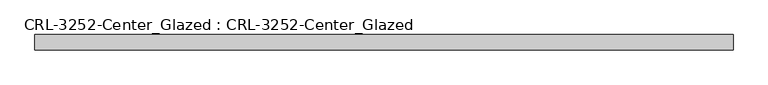
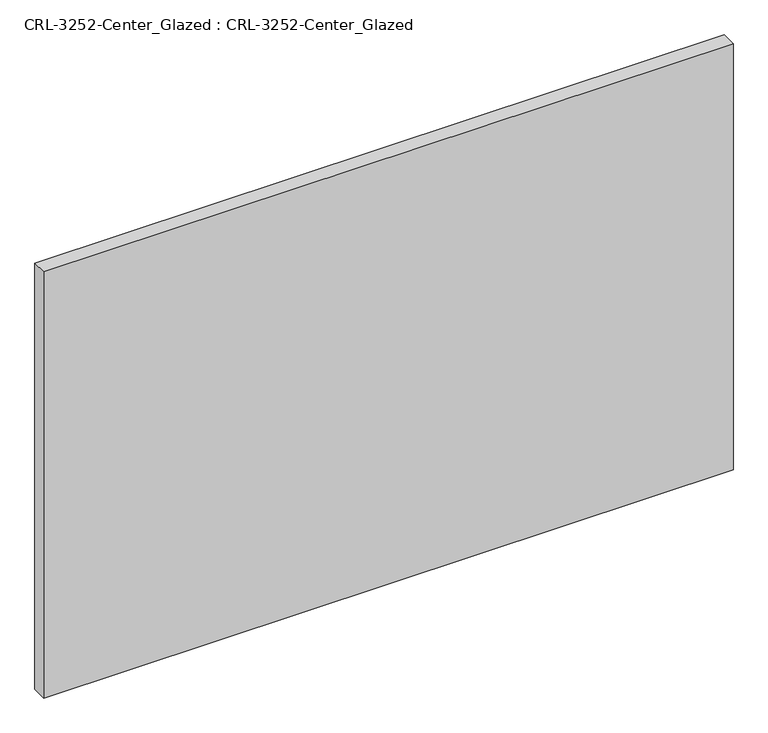
"""IFC4 building model written with IfcOpenShell, lengths in millimetres: plate geometry, CRL-3252-Center_Glazed : CRL-3252-Center_Glazed."""

from ifc_helpers import new_model, si_unit, origin, origin_with_axes, place, context, project, spatial, polyline, outline, extrude, source, transform, mapped, element, save


def crl_3252_center_glazed_crl_3252_center_glazed_06860656(model_context):
    return source(origin(), model_context, "Body", "SweptSolid", [
        extrude(outline(polyline([(583.9769969, 12.7), (583.9769969, -12.7), (-583.9769969, -12.7), (-583.9769969, 12.7), (583.9769969, 12.7)])), origin_with_axes(), (0.0, 0.0, 1.0), 763.2431361),
    ])


if __name__ == "__main__":
    model = new_model("IFC4")
    model_context = context("Model", 3, world=origin())
    ifc_project = project(units=[si_unit("LENGTHUNIT", "METRE", prefix="MILLI")], contexts=[model_context])
    site = spatial("IfcSite", under=ifc_project)
    building = spatial("IfcBuilding", under=site)
    placement = place(None, origin())
    crl_3252_center_glazed_crl_3252_center_glazed_shape = crl_3252_center_glazed_crl_3252_center_glazed_06860656(model_context)
    element("IfcPlate", 1, ObjectType="CRL-3252-Center_Glazed : CRL-3252-Center_Glazed", at=placement, inside=building, context=model_context, shape_type="MappedRepresentation", body=[
        mapped(crl_3252_center_glazed_crl_3252_center_glazed_shape, transform((0.0, 0.0, 0.0), x_axis=(1.0, 0.0, 0.0), y_axis=(0.0, 1.0, 0.0), z_axis=(0.0, 0.0, 1.0))),
    ])
    save(model, "model.ifc")
